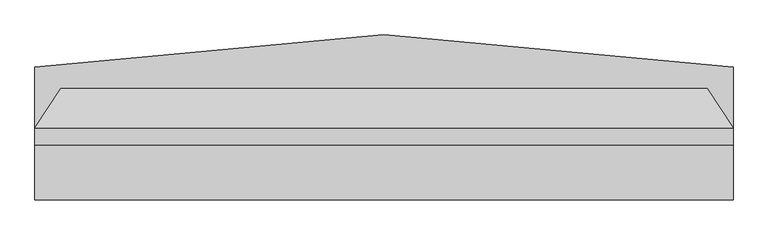
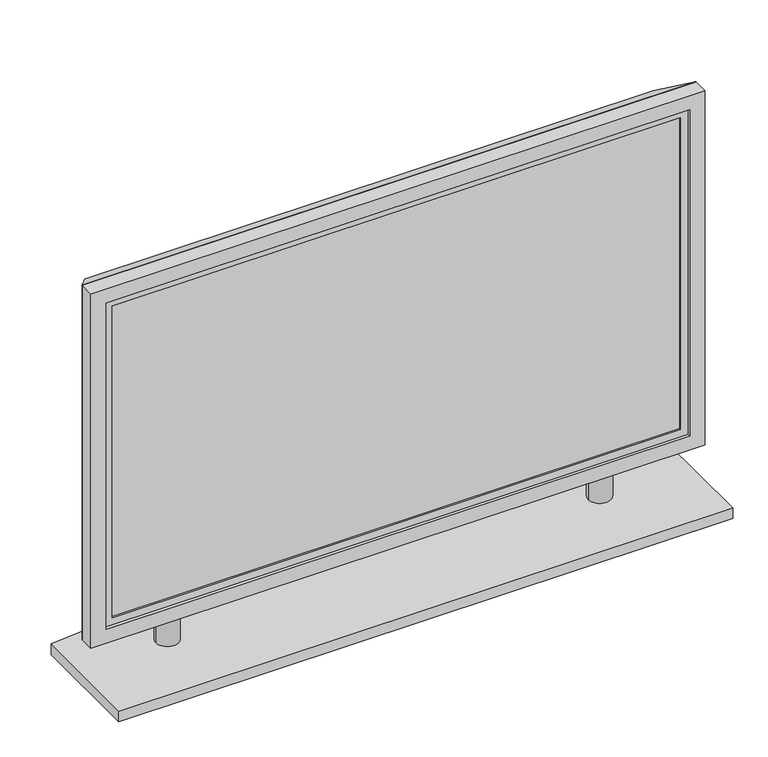
"""IFC4 building model written with IfcOpenShell, lengths in millimetres: proxy geometry."""

from ifc_helpers import new_model, si_unit, point, frame, frame_2d, origin, origin_with_axes, place, context, project, spatial, polyline, circle_curve, trimmed, segment, composite_curve, outline, extrude, faceted_brep, source, transform, mapped, element, save


def specialty_equipment_7d7ffe12(model_context):
    return source(origin(), model_context, "Body", "SolidModel", [
        faceted_brep([(-1239.5398438, -73.66, 119.3601563), (-1239.5398438, -73.66, 673.1), (-284.4601563, -73.66, 673.1), (-284.4601563, -73.66, 119.3601563), (-1277.6398437, -132.0998437, 81.2601563), (-246.3601563, -132.0998437, 81.2601563), (-246.3601563, -132.0998437, 711.2), (-1277.6398437, -132.0998437, 711.2)], [[[0, 1, 2, 3]], [[4, 5, 6, 7]], [[4, 7, 1, 0]], [[7, 6, 2, 1]], [[6, 5, 3, 2]], [[5, 4, 0, 3]]]),
        faceted_brep([(-246.3601563, -157.4998437, 711.2), (-246.3601563, -132.0998437, 711.2), (-1277.6398438, -132.0998437, 711.2), (-1277.6398438, -157.4998437, 711.2), (-246.3601563, -157.4998437, 81.2601563), (-1277.6398438, -157.4998437, 81.2601563), (-1277.6398438, -132.0998437, 81.2601563), (-246.3601563, -132.0998437, 81.2601563), (-271.7601563, -157.4998437, 685.8), (-271.7601563, -157.4998437, 106.6601563), (-1252.2398438, -157.4998437, 106.6601563), (-1252.2398438, -157.4998437, 685.8), (-271.7601563, -152.7373437, 685.8), (-1252.2398438, -152.7373437, 685.8), (-1252.2398438, -152.7373437, 106.6601563), (-271.7601563, -152.7373437, 106.6601563), (-284.4601563, -152.7373437, 673.1), (-284.4601563, -152.7373437, 119.3601563), (-1239.5398438, -152.7373437, 119.3601563), (-1239.5398438, -152.7373437, 673.1), (-284.4601563, -149.5623437, 673.1), (-1239.5398438, -149.5623437, 673.1), (-1239.5398438, -149.5623437, 119.3601563), (-284.4601563, -149.5623437, 119.3601563)], [[[0, 1, 2, 3]], [[4, 5, 6, 7]], [[1, 0, 4, 7]], [[2, 1, 7, 6]], [[3, 2, 6, 5]], [[0, 3, 5, 4], [8, 9, 10, 11]], [[12, 13, 14, 15], [16, 17, 18, 19]], [[12, 15, 9, 8]], [[15, 14, 10, 9]], [[14, 13, 11, 10]], [[13, 12, 8, 11]], [[20, 21, 22, 23]], [[20, 23, 17, 16]], [[23, 22, 18, 17]], [[22, 21, 19, 18]], [[21, 20, 16, 19]]]),
        extrude(outline(composite_curve([segment(trimmed(circle_curve(frame_2d((-1125.2398438, -115.5799219)), 19.05), [point((-1106.1898438, -115.5799219))], [point((-1144.2898438, -115.5799219))], False, "CARTESIAN"), True, "CONTINUOUS"), segment(trimmed(circle_curve(frame_2d((-1125.2398438, -115.5799219)), 19.05), [point((-1144.2898438, -115.5799219))], [point((-1106.1898438, -115.5799219))], False, "CARTESIAN"), True, "CONTINUOUS")], self_intersect=False)), frame((0.0, 0.0, 19.05), z_axis=(0.0, 0.0, 1.0), x_axis=(1.0, 0.0, 0.0)), (0.0, 0.0, 1.0), 62.2101562),
        extrude(outline(composite_curve([segment(trimmed(circle_curve(frame_2d((-398.7601563, -115.5799219)), 19.05), [point((-379.7101563, -115.5799219))], [point((-417.8101563, -115.5799219))], False, "CARTESIAN"), True, "CONTINUOUS"), segment(trimmed(circle_curve(frame_2d((-398.7601563, -115.5799219)), 19.05), [point((-417.8101563, -115.5799219))], [point((-379.7101563, -115.5799219))], False, "CARTESIAN"), True, "CONTINUOUS")], self_intersect=False)), frame((0.0, 0.0, 19.05), z_axis=(0.0, 0.0, 1.0), x_axis=(1.0, 0.0, 0.0)), (0.0, 0.0, 1.0), 62.2101562),
        extrude(outline(composite_curve([segment(polyline([(-246.3601563, -238.76), (-1277.6398438, -238.76), (-1277.6398437, -41.91)]), True, "CONTINUOUS"), segment(trimmed(circle_curve(frame_2d((-762.0, -2816.86)), 2822.4514081), [point((-1277.6398437, -41.91))], [point((-246.3601562, -41.91))], False, "CARTESIAN"), True, "CONTINUOUS"), segment(polyline([(-246.3601562, -41.91), (-246.3601563, -238.76)]), True, "CONTINUOUS")], self_intersect=False)), origin_with_axes(), (0.0, 0.0, 1.0), 19.05),
    ])


if __name__ == "__main__":
    model = new_model("IFC4")
    model_context = context("Model", 3, world=origin())
    ifc_project = project(units=[si_unit("LENGTHUNIT", "METRE", prefix="MILLI")], contexts=[model_context])
    site = spatial("IfcSite", under=ifc_project)
    building = spatial("IfcBuilding", under=site)
    placement = place(None, origin())
    specialty_equipment_shape = specialty_equipment_7d7ffe12(model_context)
    element("IfcBuildingElementProxy", 1, Name="Specialty Equipment", at=placement, inside=building, context=model_context, shape_type="MappedRepresentation", body=[
        mapped(specialty_equipment_shape, transform((0.0, 0.0, 0.0), x_axis=(1.0, 0.0, 0.0), y_axis=(0.0, 1.0, 0.0), z_axis=(0.0, 0.0, 1.0))),
    ])
    save(model, "model.ifc")
